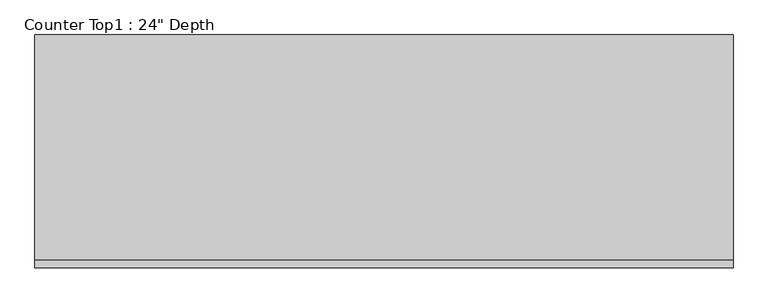
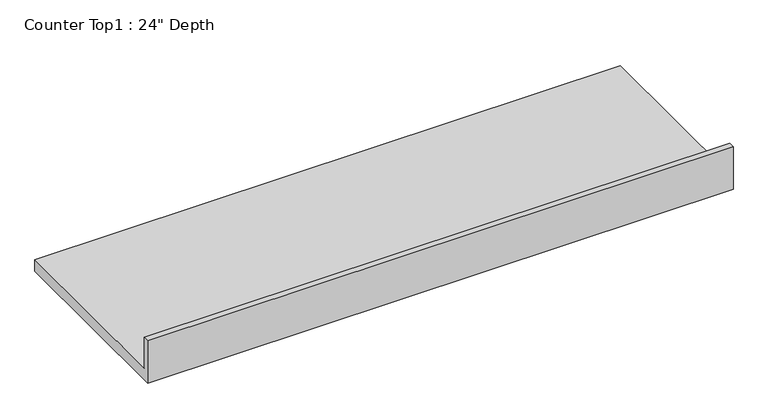
"""IFC4 building model written with IfcOpenShell, lengths in millimetres: furniture geometry."""

from ifc_helpers import new_model, si_unit, frame, origin, place, context, project, spatial, polyline, outline, extrude, source, transform, mapped, element, save


def furniture_281885f9(model_context):
    return source(origin(), model_context, "Body", "SweptSolid", [
        extrude(outline(polyline([(0.0, 1016.0), (19.05, 1016.0), (19.05, 914.4), (609.6, 914.4), (609.6, 876.3), (0.0, 876.3), (0.0, 1016.0)])), frame((-1200.4622951, 0.0, 0.0), z_axis=(1.0, 0.0, 0.0), x_axis=(0.0, 1.0, 0.0)), (0.0, 0.0, 1.0), 1828.8),
    ])


if __name__ == "__main__":
    model = new_model("IFC4")
    model_context = context("Model", 3, world=origin())
    ifc_project = project(units=[si_unit("LENGTHUNIT", "METRE", prefix="MILLI")], contexts=[model_context])
    site = spatial("IfcSite", under=ifc_project)
    building = spatial("IfcBuilding", under=site)
    placement = place(None, origin())
    furniture_shape = furniture_281885f9(model_context)
    element("IfcFurniture", 1, ObjectType="Counter Top1 : 24\" Depth", at=placement, inside=building, context=model_context, shape_type="MappedRepresentation", body=[
        mapped(furniture_shape, transform((0.0, 0.0, 0.0), x_axis=(1.0, 0.0, 0.0), y_axis=(0.0, 1.0, 0.0), z_axis=(0.0, 0.0, 1.0))),
    ])
    save(model, "model.ifc")
